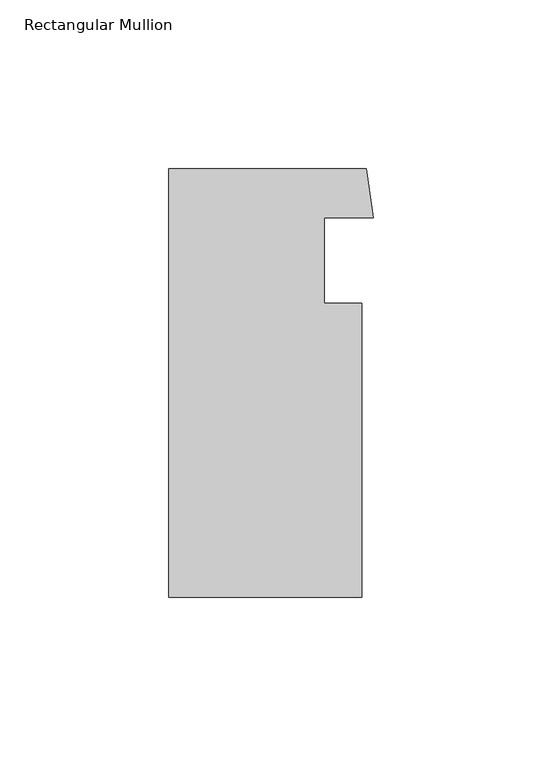
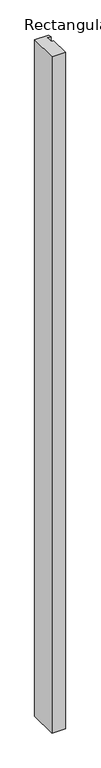
"""IFC4 building model written with IfcOpenShell, lengths in millimetres: member geometry, Rectangular Mullion."""

from ifc_helpers import new_model, si_unit, frame, origin, place, context, project, spatial, polyline, outline, extrude, source, transform, mapped, element, save


def rectangular_mullion_7de697be(model_context):
    return source(origin(), model_context, "Body", "SweptSolid", [
        extrude(outline(polyline([(-3.4014101, 20.8552434), (-3.4014101, -66.2412316), (-60.5514101, -66.2412316), (-60.5514101, 60.7587684), (-2.0610278, 60.7587684), (0.0, 46.217072), (-14.5139101, 46.217072), (-14.5139101, 20.8552434), (-3.4014101, 20.8552434)])), frame((0.0, 0.0, -3048.0), z_axis=(0.0, 0.0, 1.0), x_axis=(1.0, 0.0, 0.0)), (0.0, 0.0, 1.0), 3048.0),
    ])


if __name__ == "__main__":
    model = new_model("IFC4")
    model_context = context("Model", 3, world=origin())
    ifc_project = project(units=[si_unit("LENGTHUNIT", "METRE", prefix="MILLI")], contexts=[model_context])
    site = spatial("IfcSite", under=ifc_project)
    building = spatial("IfcBuilding", under=site)
    placement = place(None, origin())
    rectangular_mullion_shape = rectangular_mullion_7de697be(model_context)
    element("IfcMember", 1, ObjectType="Rectangular Mullion", at=placement, inside=building, context=model_context, shape_type="MappedRepresentation", body=[
        mapped(rectangular_mullion_shape, transform((0.0, 0.0, 0.0), x_axis=(1.0, 0.0, 0.0), y_axis=(0.0, 1.0, 0.0), z_axis=(0.0, 0.0, 1.0))),
    ])
    save(model, "model.ifc")
